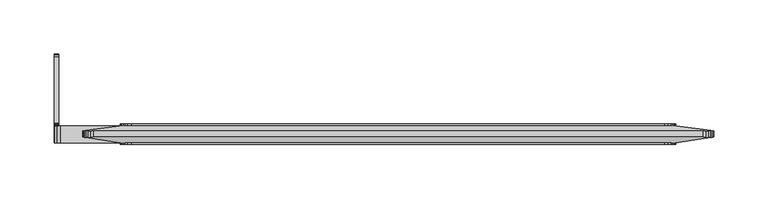
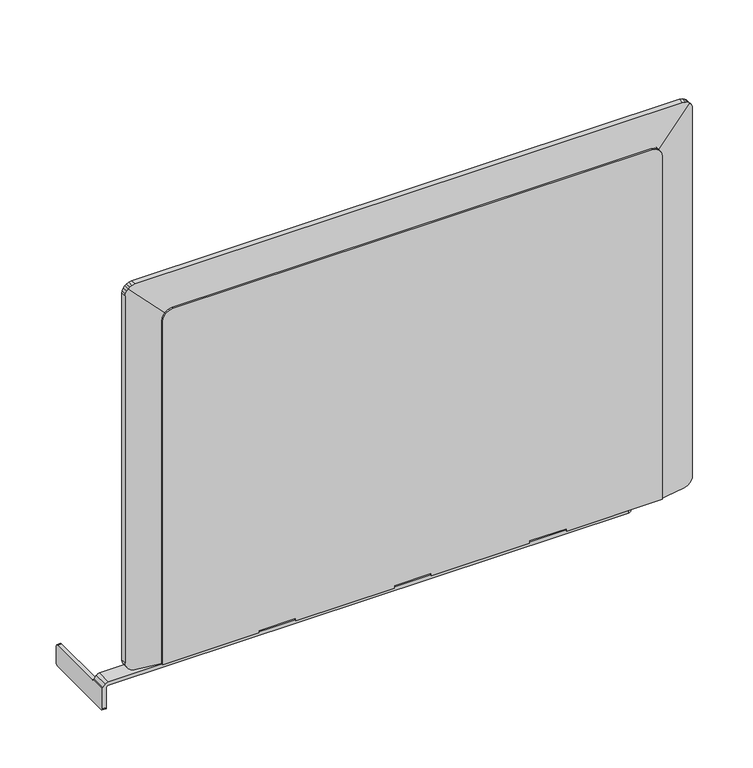
"""IFC4 building model written with IfcOpenShell, lengths in millimetres: furniture geometry."""

from ifc_helpers import new_model, si_unit, frame, origin, place, context, project, spatial, polyline, circle_curve, outline, extrude, faceted_brep, source, transform, mapped, element, save
from ifc_brep_helpers import plane_surface, cylinder_surface, advanced_brep


def furniture_2cdc2ee0(model_context):
    return source(origin(), model_context, "Body", "SolidModel", [
        advanced_brep(
        [(-11.90625, 64.3731245, 731.95913), (-7.8422501, 64.3731245, 731.95913), (-7.8422501, 64.3731245, 713.2393302), (-11.90625, 64.3731245, 713.2393302), (-5.8610501, -1.666875, 740.6713298), (-5.8610501, -17.4148753, 740.6713298), (526.6142889, -17.4148753, 740.6713298), (531.1457524, -12.8834117, 740.6713298), (531.1457524, -6.1983386, 740.6713298), (526.6142889, -1.666875, 740.6713298), (-7.8422501, -1.666875, 740.0487184), (-7.8422501, -2.2372295, 740.0487184), (-9.3190655, -2.2372295, 739.5846147), (-9.3190655, -17.4148753, 739.5846147), (-11.5338209, -2.2372295, 736.7151762), (-11.5338209, -17.4148753, 736.7151762), (-11.90625, -1.5104535, 735.2934452), (-11.90625, -17.4148753, 735.2934452), (-11.90625, 62.3411264, 733.9911297), (-11.90625, 63.7779664, 733.3959708), (-11.90625, 63.7779664, 711.8024879), (-11.90625, 62.3411264, 711.2073298), (-11.90625, -15.3828753, 711.2073298), (-11.90625, -16.8197162, 711.8024879), (-11.90625, -17.4148753, 713.2393302), (-11.90625, -1.1392569, 734.6261298), (-11.90625, -0.4792283, 734.1569987), (-11.90625, 0.3143256, 733.9911297), (-7.8422501, -15.3828753, 711.2073298), (-7.8422501, 62.3411264, 711.2073298), (-7.8422501, 63.7779664, 733.3959708), (-7.8422501, 62.3411264, 733.9911297), (-7.8422501, 0.3143256, 733.9911297), (-7.8422501, -0.4792283, 734.1569987), (-7.8422501, -1.1392569, 734.6261298), (-7.8422501, -1.4321294, 735.1526387), (-7.8422501, -17.4148753, 735.1526387), (-7.8422501, -17.4148753, 713.2393302), (-7.8422501, -16.8197162, 711.8024879), (-7.8422501, 63.7779664, 711.8024879), (-6.9943492, -2.0431968, 736.2511795), (-6.9943492, -17.4148753, 736.2511795), (-5.8843743, -2.2372295, 736.6), (-5.8843743, -17.4148753, 736.6), (297.3427997, -2.2372295, 736.6), (297.3427997, -1.666875, 736.6), (526.6142889, -1.666875, 736.6), (531.1457524, -6.1983386, 736.6), (531.1457524, -12.8834117, 736.6), (526.6142889, -17.4148753, 736.6), (297.3427997, -1.666875, 740.0487184), (297.3427997, -2.2372295, 740.0487184)],
        [
            (0, 1),
            (1, 2),
            (2, 3),
            (3, 0),
            (4, 5),
            (5, 6),
            (6, 7, circle_curve(frame((526.6142889, -12.8834117, 740.6713298), z_axis=(0.0, 0.0, 1.0), x_axis=(1.0000000000000009, 0.0, 0.0)), 4.5314636)),
            (7, 8),
            (8, 9, circle_curve(frame((526.6142889, -6.1983386, 740.6713298), z_axis=(0.0, 0.0, 1.0), x_axis=(1.0000000000000009, 0.0, 0.0)), 4.5314636)),
            (9, 4),
            (4, 10),
            (10, 11),
            (11, 12),
            (12, 13),
            (13, 5),
            (12, 14),
            (14, 15),
            (15, 13),
            (14, 16),
            (16, 17),
            (17, 15),
            (18, 19),
            (19, 0),
            (3, 20),
            (20, 21),
            (21, 22),
            (22, 23),
            (23, 24),
            (24, 17),
            (16, 25),
            (25, 26),
            (26, 27),
            (27, 18),
            (28, 22),
            (21, 29),
            (29, 28),
            (30, 31),
            (31, 32),
            (32, 33),
            (33, 34),
            (34, 35),
            (35, 36),
            (36, 37),
            (37, 38),
            (38, 28),
            (29, 39),
            (39, 2),
            (1, 30),
            (35, 40),
            (40, 41),
            (41, 36),
            (40, 42),
            (42, 43),
            (43, 41),
            (44, 45),
            (45, 46),
            (46, 47, circle_curve(frame((526.6142889, -6.1983386, 736.6), z_axis=(0.0, 0.0, -1.0), x_axis=(1.0000000000000009, 0.0, 0.0)), 4.5314636)),
            (47, 48),
            (48, 49, circle_curve(frame((526.6142889, -12.8834117, 736.6), z_axis=(0.0, 0.0, -1.0), x_axis=(1.0000000000000009, 0.0, 0.0)), 4.5314636)),
            (49, 43),
            (42, 44),
            (7, 48),
            (47, 8),
            (9, 46),
            (45, 50),
            (50, 10),
            (44, 51),
            (51, 50),
            (18, 31),
            (30, 19),
            (51, 11),
            (42, 14),
            (34, 25),
            (33, 26),
            (32, 27),
            (38, 23),
            (37, 24),
            (49, 6),
            (20, 39),
        ],
        [
            plane_surface(frame((-5.8610501, 64.3731245, 740.6713298), z_axis=(0.0, 1.0, 0.0), x_axis=(1.0, 0.0, 0.0))),
            plane_surface(frame((531.1457524, -19.0982613, 740.6713298), z_axis=(0.0, 0.0, 1.0), x_axis=(0.0, 1.0, 0.0))),
            plane_surface(frame((-5.8610501, -19.0982613, 740.6713298), z_axis=(-0.29980408442028295, 0.0, 0.9540007919100045), x_axis=(0.0, 1.0, 0.0))),
            plane_surface(frame((-9.3190655, -19.0982613, 739.5846147), z_axis=(-0.7916236415944377, 0.0, 0.6110090098098074), x_axis=(0.0, 1.0, 0.0))),
            plane_surface(frame((-11.5338209, -19.0982613, 736.7151762), z_axis=(-0.9673603819474792, 0.0, 0.253404600270846), x_axis=(0.0, 1.0, 0.0))),
            plane_surface(frame((-11.90625, -19.0982613, 735.2934452), z_axis=(-1.0, 0.0, 0.0), x_axis=(0.0, 1.0, 0.0))),
            plane_surface(frame((-11.90625, -19.0982613, 711.2073298), z_axis=(0.0, 0.0, -1.0), x_axis=(0.0, 1.0, 0.0))),
            plane_surface(frame((-7.8422501, -19.0982613, 711.2073298), z_axis=(1.0, 0.0, 0.0), x_axis=(0.0, 1.0, 0.0))),
            plane_surface(frame((-7.8422501, -19.0982613, 735.1526387), z_axis=(0.7916236395709917, 0.0, -0.6110090124313852), x_axis=(0.0, 1.0, 0.0))),
            plane_surface(frame((-6.9943492, -19.0982613, 736.2511795), z_axis=(0.2998040604799328, 0.0, -0.9540007994334935), x_axis=(0.0, 1.0, 0.0))),
            plane_surface(frame((-5.8843743, -19.0982613, 736.6), z_axis=(0.0, 0.0, -1.0), x_axis=(0.0, 1.0, 0.0))),
            plane_surface(frame((531.1457524, -19.0982613, 736.6), z_axis=(1.0, 0.0, 0.0), x_axis=(0.0, 1.0, 0.0))),
            plane_surface(frame((-7.8422501, -1.666875, 1041.4), z_axis=(0.0, 1.0, 0.0), x_axis=(0.0, 0.0, -1.0))),
            plane_surface(frame((297.3427997, 62.3411264, 733.9911297), z_axis=(-1.0, 0.0, 0.0), x_axis=(0.0, 0.9238794600399491, -0.38268360732632906))),
            plane_surface(frame((297.3427997, 62.3411264, 733.9911297), z_axis=(0.0, 0.38268360732632906, 0.9238794600399491), x_axis=(-1.0, 0.0, 0.0))),
            plane_surface(frame((297.3427997, 63.7779664, 733.3959708), z_axis=(0.0, 0.9238797338270522, 0.38268294634547667), x_axis=(-1.0, 0.0, 0.0))),
            plane_surface(frame((297.3427997, 64.3731245, 740.0487184), z_axis=(0.0, 0.0, -1.0), x_axis=(-1.0, 0.0, 0.0))),
            plane_surface(frame((297.3427997, -2.2372295, 740.0487184), z_axis=(0.0, 1.0, 0.0), x_axis=(-1.0, 0.0, 0.0))),
            plane_surface(frame((297.3427997, -2.2372295, 736.6), z_axis=(0.0, 0.8738981288260935, 0.48610910342664065), x_axis=(-1.0, 0.0, 0.0))),
            plane_surface(frame((297.3427997, -1.1392569, 734.6261298), z_axis=(0.0, 0.5793413096937473, 0.8150850549987613), x_axis=(-1.0, 0.0, 0.0))),
            plane_surface(frame((297.3427997, -0.4792283, 734.1569987), z_axis=(0.0, 0.20459875452857604, 0.9788459274295191), x_axis=(-1.0, 0.0, 0.0))),
            plane_surface(frame((297.3427997, 0.3143256, 733.9911297), z_axis=(0.0, 0.0, 1.0), x_axis=(-1.0, 0.0, 0.0))),
            plane_surface(frame((541.7567927, -15.3828753, 711.2073298), z_axis=(0.0, -0.3826829140793831, -0.9238797471920853), x_axis=(-1.0, 0.0, 0.0))),
            plane_surface(frame((541.7567927, -16.8197162, 711.8024879), z_axis=(0.0, -0.9238796416148001, -0.38268316896580185), x_axis=(-1.0, 0.0, 0.0))),
            plane_surface(frame((541.7567927, -17.4148753, 713.2393302), z_axis=(0.0, -1.0, 0.0), x_axis=(-1.0, 0.0, 0.0))),
            plane_surface(frame((-7.4077452, 63.7779664, 711.8024879), z_axis=(0.0, 0.38268313994214265, -0.9238796536367831), x_axis=(-1.0, 0.0, 0.0))),
            plane_surface(frame((-7.4077452, 64.3731245, 713.2393302), z_axis=(0.0, 0.9238798674772314, -0.3826826236847621), x_axis=(-1.0, 0.0, 0.0))),
            cylinder_surface(frame((526.6142889, -6.1983386, 736.6), z_axis=(0.0, 0.0, -1.0), x_axis=(1.0000000000000009, 0.0, 0.0)), 4.5314636),
            cylinder_surface(frame((526.6142889, -12.8834117, 736.6), z_axis=(0.0, 0.0, -1.0), x_axis=(1.0000000000000009, 0.0, 0.0)), 4.5314636),
        ],
        [
            (0, [[1, 2, 3, 4]]),
            (1, [[5, 6, 7, 8, 9, 10]]),
            (2, [[11, 12, 13, 14, 15, -5]]),
            (3, [[16, 17, 18, -14]]),
            (4, [[19, 20, 21, -17]]),
            (5, [[22, 23, -4, 24, 25, 26, 27, 28, 29, -20, 30, 31, 32, 33]]),
            (6, [[34, -26, 35, 36]]),
            (7, [[37, 38, 39, 40, 41, 42, 43, 44, 45, -36, 46, 47, -2, 48]]),
            (8, [[49, 50, 51, -42]]),
            (9, [[52, 53, 54, -50]]),
            (10, [[55, 56, 57, 58, 59, 60, -53, 61]]),
            (11, [[-8, 62, -58, 63]]),
            (12, [[-11, -10, 64, -56, 65, 66]]),
            (13, [[67, 68, -65, -55]]),
            (14, [[69, -37, 70, -22]]),
            (15, [[-70, -48, -1, -23]]),
            (16, [[-68, 71, -12, -66]]),
            (17, [[-67, -61, 72, -16, -13, -71]]),
            (18, [[-72, -52, -49, -41, 73, -30, -19]]),
            (19, [[-73, -40, 74, -31]]),
            (20, [[-74, -39, 75, -32]]),
            (21, [[-69, -33, -75, -38]]),
            (22, [[76, -27, -34, -45]]),
            (23, [[-76, -44, 77, -28]]),
            (24, [[-77, -43, -51, -54, -60, 78, -6, -15, -18, -21, -29]]),
            (25, [[79, -46, -35, -25]]),
            (26, [[-79, -24, -3, -47]]),
            (27, [[-9, -63, -57, -64]]),
            (28, [[-7, -78, -59, -62]]),
        ],
    ),
        extrude(outline(polyline([(1122.7054, 550.0178925), (1122.7054, 59.5257121), (1122.0193549, 55.884392), (1120.9312673, 53.4952556), (1119.6500955, 51.9079102), (1117.7380029, 50.4230447), (1115.4123454, 49.4081476), (1112.7551493, 49.022), (740.6713298, 49.022), (740.6713298, 147.1315248), (743.2237184, 147.1315248), (743.2237184, 185.2315248), (740.6713298, 185.2315248), (740.6713298, 285.75), (743.2237184, 285.75), (743.2237184, 323.85), (740.6713298, 323.85), (740.6713298, 424.3684752), (743.2237184, 424.3684752), (743.2237184, 462.4684752), (740.6713298, 462.4684752), (740.6713298, 560.578), (1112.3670758, 560.578), (1115.4123454, 560.135457), (1117.7380029, 559.1205599), (1119.6500955, 557.6356944), (1120.9312673, 556.0483489), (1122.0193549, 553.6592125), (1122.7054, 550.0178925)])), frame((0.0, -19.05, 0.0), z_axis=(0.0, 1.0, 0.0), x_axis=(0.0, 0.0, 1.0)), (0.0, 0.0, 1.0), 19.05),
        faceted_brep([(557.3466046, -1.27, 740.6713298), (557.3466046, -1.27, 1119.4740046), (592.4341432, -6.201232, 1154.5615432), (593.9749553, -6.417779, 1152.5774069), (594.9898524, -6.5604135, 1150.2517494), (595.376, -6.614683, 1147.5945533), (595.376, -6.614683, 750.5772), (594.9898524, -6.5604135, 747.9200039), (593.9749553, -6.417779, 745.5943464), (592.4900898, -6.2090948, 743.6822538), (590.1989568, -5.887097, 741.8330438), (589.4405268, -5.7805066, 741.4876311), (585.1078466, -5.1715881, 740.6713298), (557.3466046, -17.78, 1119.4740046), (557.3466046, -17.78, 740.6713298), (585.1078466, -13.6811758, 740.6713298), (589.4405268, -13.0414748, 741.4876311), (590.1989568, -12.929496, 741.8330438), (592.4900898, -12.5912203, 743.6822538), (593.9749553, -12.3719865, 745.5943464), (594.9898524, -12.2221415, 747.9200039), (595.376, -12.1651285, 750.5772), (595.376, -12.1651285, 1147.5945533), (594.9898524, -12.2221415, 1150.2517494), (593.9749553, -12.3719865, 1152.5774069), (592.4341432, -12.5994806, 1154.5615432), (52.2533954, -1.27, 1119.4740046), (52.2533954, -1.27, 740.6713298), (24.4921534, -5.1715881, 740.6713298), (20.1594732, -5.7805066, 741.4876311), (19.4010432, -5.887097, 741.8330438), (17.1099102, -6.2090948, 743.6822538), (15.6250447, -6.417779, 745.5943464), (14.6101476, -6.5604135, 747.9200039), (14.224, -6.614683, 750.5772), (14.224, -6.614683, 1147.5945533), (14.6101476, -6.5604135, 1150.2517494), (15.6250447, -6.417779, 1152.5774069), (17.1658568, -6.201232, 1154.5615432), (52.2533954, -17.78, 740.6713298), (52.2533954, -17.78, 1119.4740046), (17.1658568, -12.5994806, 1154.5615432), (15.6250447, -12.3719865, 1152.5774069), (14.6101476, -12.2221415, 1150.2517494), (14.224, -12.1651285, 1147.5945533), (14.224, -12.1651285, 750.5772), (14.6101476, -12.2221415, 747.9200039), (15.6250447, -12.3719865, 745.5943464), (17.1099102, -12.5912203, 743.6822538), (19.4010432, -12.929496, 741.8330438), (20.1594732, -13.0414748, 741.4876311), (24.4921534, -13.6811758, 740.6713298), (18.6972556, -6.3711638, 1155.7706713), (21.086392, -6.5240846, 1156.8587589), (24.5079521, -6.614683, 1157.5034), (585.0920479, -6.614683, 1157.5034), (588.513608, -6.5240846, 1156.8587589), (590.9027444, -6.3711638, 1155.7706713), (590.9027444, -12.4209582, 1155.7706713), (588.513608, -12.2603069, 1156.8587589), (585.0920479, -12.1651285, 1157.5034), (24.5079521, -12.1651285, 1157.5034), (21.086392, -12.2603069, 1156.8587589), (18.6972556, -12.4209582, 1155.7706713)], [[[0, 1, 2, 3, 4, 5, 6, 7, 8, 9, 10, 11, 12]], [[13, 14, 15, 16, 17, 18, 19, 20, 21, 22, 23, 24, 25]], [[26, 27, 28, 29, 30, 31, 32, 33, 34, 35, 36, 37, 38]], [[39, 40, 41, 42, 43, 44, 45, 46, 47, 48, 49, 50, 51]], [[1, 26, 38, 52, 53, 54, 55, 56, 57, 2]], [[40, 13, 25, 58, 59, 60, 61, 62, 63, 41]], [[1, 0, 14, 13]], [[39, 27, 26, 40]], [[26, 1, 13, 40]], [[6, 5, 22, 21]], [[44, 35, 34, 45]], [[54, 61, 60, 55]], [[36, 43, 42, 37]], [[41, 38, 37, 42]], [[38, 41, 63, 52]], [[52, 63, 62, 53]], [[53, 62, 61, 54]], [[43, 36, 35, 44]], [[3, 24, 23, 4]], [[2, 25, 24, 3]], [[25, 2, 57, 58]], [[58, 57, 56, 59]], [[59, 56, 55, 60]], [[4, 23, 22, 5]], [[27, 39, 51, 28]], [[14, 0, 12, 15]], [[7, 20, 19, 8]], [[8, 19, 18, 9]], [[9, 18, 17, 10]], [[10, 17, 16, 11]], [[11, 16, 15, 12]], [[20, 7, 6, 21]], [[33, 46, 45, 34]], [[50, 29, 28, 51]], [[29, 50, 49, 30]], [[30, 49, 48, 31]], [[31, 48, 47, 32]], [[46, 33, 32, 47]]]),
    ])


if __name__ == "__main__":
    model = new_model("IFC4")
    model_context = context("Model", 3, world=origin())
    ifc_project = project(units=[si_unit("LENGTHUNIT", "METRE", prefix="MILLI")], contexts=[model_context])
    site = spatial("IfcSite", under=ifc_project)
    building = spatial("IfcBuilding", under=site)
    placement = place(None, origin())
    furniture_shape = furniture_2cdc2ee0(model_context)
    element("IfcFurniture", 1, at=placement, inside=building, context=model_context, shape_type="MappedRepresentation", body=[
        mapped(furniture_shape, transform((0.0, 0.0, 0.0), x_axis=(1.0, 0.0, 0.0), y_axis=(0.0, 1.0, 0.0), z_axis=(0.0, 0.0, 1.0))),
    ])
    save(model, "model.ifc")
